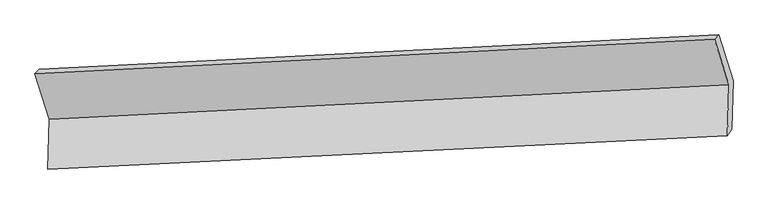
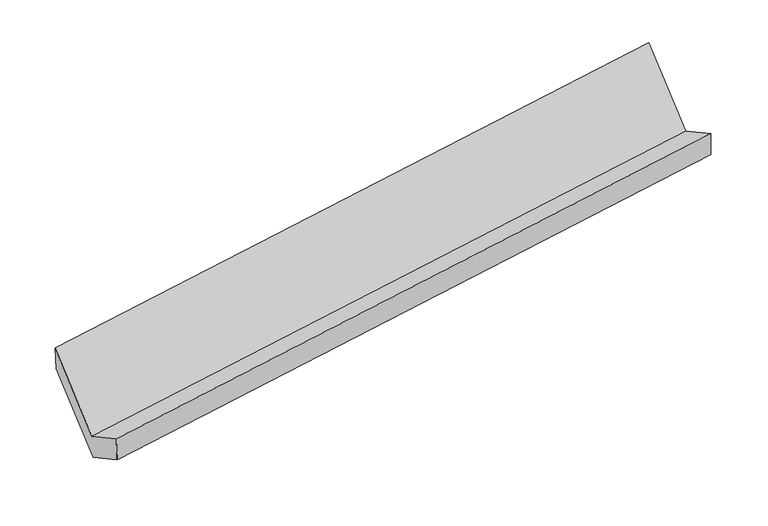
"""IFC4 building model written with IfcOpenShell, lengths in millimetres: proxy geometry."""

from ifc_helpers import new_model, si_unit, frame, origin, place, context, project, spatial, source, transform, mapped, element, save
from ifc_brep_helpers import plane_surface, spline_surface, advanced_brep


def generic_models_82a9e644(model_context):
    return source(origin(), model_context, "Body", "AdvancedBrep", [
        advanced_brep(
        [(-5211.859029, -1632.3602572, 1426.3464654), (-5222.6607574, -1979.6019655, 1619.3272368), (-475.3405925, -1748.2572034, 2321.914944), (-464.2670613, -1392.2778861, 2124.0782165), (-5193.8084453, -1940.2080442, 1411.8050212), (-446.2164776, -1700.1256731, 2109.5367722), (-5183.2785197, -1601.703945, 1223.6802061), (-435.686552, -1361.6215739, 1921.4119571), (-5284.2841611, -1282.8346949, 1791.7868979), (-536.6921934, -1042.7523238, 2489.518649), (-5312.8646703, -1313.4910071, 1994.4531572), (-565.2727026, -1073.408636, 2692.1849083)],
        [
            (0, 1),
            (1, 2),
            (2, 3),
            (3, 0),
            (1, 4),
            (4, 5),
            (5, 2),
            (4, 6),
            (6, 7),
            (7, 5),
            (6, 8),
            (8, 9),
            (9, 7),
            (8, 10),
            (10, 11),
            (11, 9),
            (10, 0),
            (3, 11),
        ],
        [
            plane_surface(frame((-5217.2598932, -1805.9811113, 1522.8368511), z_axis=(-0.1511540970135899, 0.4837819138144052, 0.8620368314765199), x_axis=(-0.02718028323013901, -0.8737609070292937, 0.48559562348818136))),
            spline_surface(1, 1, [[(-5222.6607574, -1979.6019655, 1619.3272368), (-475.3405925, -1748.2572034, 2321.914944)], [(-5193.8084453, -1940.2080442, 1411.8050212), (-446.2164776, -1700.1256731, 2109.5367722)]], [2, 2], [2, 2], [0.0, 1.0], [0.0, 1.0]),
            plane_surface(frame((-5188.5434825, -1770.9559946, 1317.7426136), z_axis=(0.15115409701359211, -0.4837819138144046, -0.8620368314765198), x_axis=(0.027180283230138852, 0.8737609070292939, -0.48559562348818086))),
            plane_surface(frame((-5233.7813404, -1442.26932, 1507.733552), z_axis=(0.02718028323013802, 0.8737609070292931, -0.4855956234881825), x_axis=(-0.15321041997071622, 0.4836768625896878, 0.8617327078670004))),
            plane_surface(frame((-5298.5744157, -1298.162851, 1893.1200276), z_axis=(-0.07044578999885226, 0.9877169606410864, 0.1394725648053145), x_axis=(-0.13810028301320243, -0.148130509439907, 0.979278134140014))),
            plane_surface(frame((-5262.3618497, -1472.9256322, 1710.3998113), z_axis=(-0.02718028323013541, -0.8737609070292987, 0.4855956234881727), x_axis=(0.1532104199707172, -0.4836768625896777, -0.861732707867006))),
            plane_surface(frame((-487.2459299, -1386.4072161, 2276.4409079), z_axis=(0.9878197200987264, 0.05097617034206621, 0.1470157496370056), x_axis=(-0.13810028301320243, -0.148130509439907, 0.979278134140014))),
            plane_surface(frame((-5234.7925971, -1625.033319, 1577.8998308), z_axis=(-0.987819720098726, -0.0509761703420754, -0.14701574963700406), x_axis=(-0.15321041997071969, 0.48367686258969866, 0.8617327078669936))),
        ],
        [
            (0, [[1, 2, 3, 4]]),
            (1, [[5, 6, 7, -2]]),
            (2, [[8, 9, 10, -6]]),
            (3, [[11, 12, 13, -9]]),
            (4, [[14, 15, 16, -12]]),
            (5, [[17, -4, 18, -15]]),
            (6, [[-16, -18, -3, -7, -10, -13]]),
            (7, [[-17, -14, -11, -8, -5, -1]]),
        ],
    ),
    ])


if __name__ == "__main__":
    model = new_model("IFC4")
    model_context = context("Model", 3, world=origin())
    ifc_project = project(units=[si_unit("LENGTHUNIT", "METRE", prefix="MILLI")], contexts=[model_context])
    site = spatial("IfcSite", under=ifc_project)
    building = spatial("IfcBuilding", under=site)
    placement = place(None, origin())
    generic_models_shape = generic_models_82a9e644(model_context)
    element("IfcBuildingElementProxy", 1, Name="Generic Models", at=placement, inside=building, context=model_context, shape_type="MappedRepresentation", body=[
        mapped(generic_models_shape, transform((0.0, 0.0, 0.0), x_axis=(1.0, 0.0, 0.0), y_axis=(0.0, 1.0, 0.0), z_axis=(0.0, 0.0, 1.0))),
    ])
    save(model, "model.ifc")
